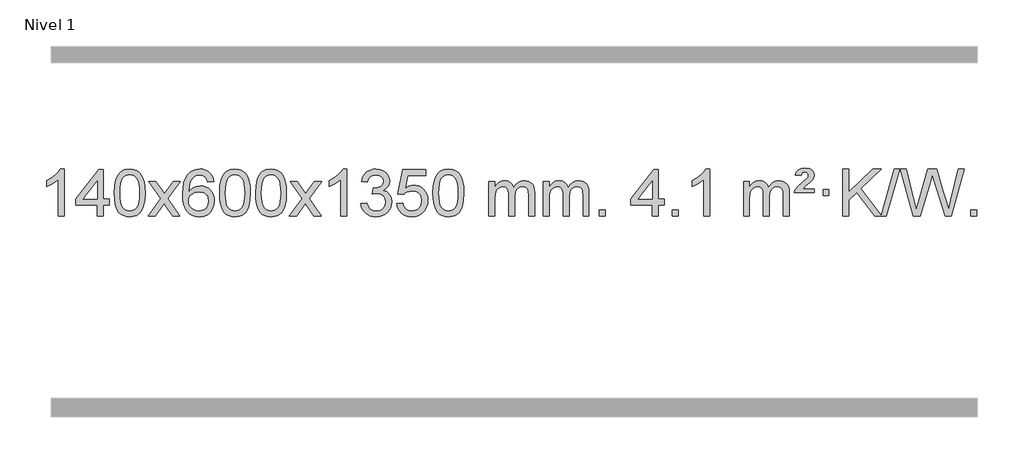
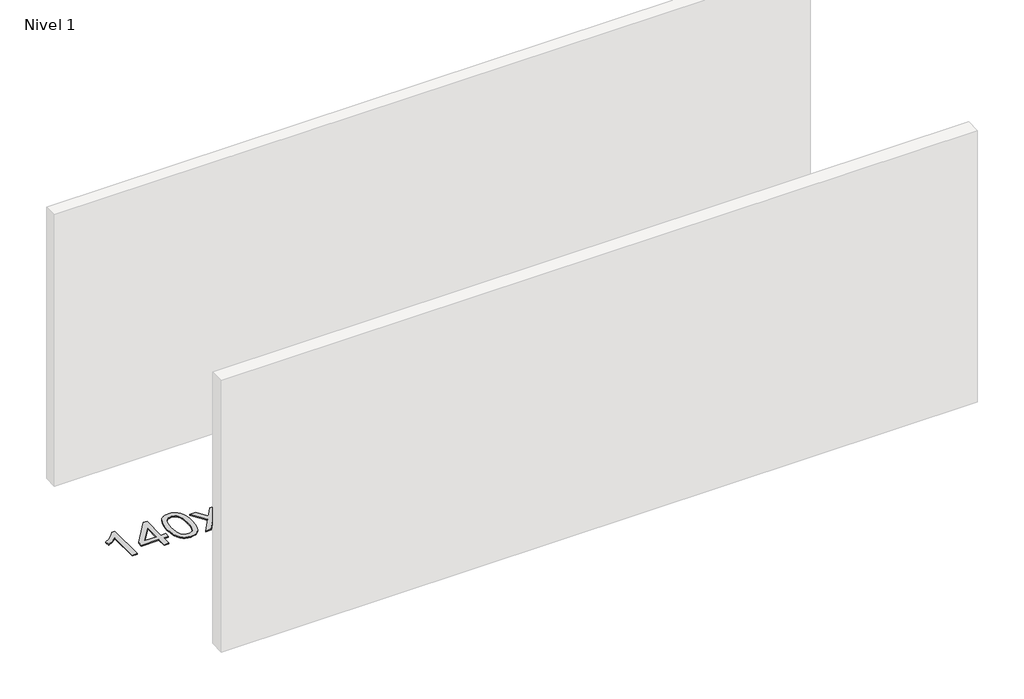
# One storey, part 4 of 10: 1 proxy.
"""IFC4 building model written with IfcOpenShell, lengths in millimetres."""

from ifc_helpers import new_model, si_unit, origin, origin_with_axes, place, context, project, spatial, polyline, outline, extrude, element, save

model = new_model("IFC4")

# Units and contexts
model_context = context("Model", 3, world=origin())
ifc_project = project(units=[si_unit("LENGTHUNIT", "METRE", prefix="MILLI")], contexts=[model_context])

# Site, building, storey
site = spatial("IfcSite", under=ifc_project)
building = spatial("IfcBuilding", under=site)
storey = spatial("IfcBuildingStorey", under=building, Name="Nivel 1", Elevation=0.0)

# Proxy
placement = place(None, origin())
element("IfcBuildingElementProxy", 1, Name="Texto de modelo 1", ObjectType="Texto de modelo 1", at=placement, inside=storey, context=model_context, shape_type="SweptSolid", body=[
    extrude(outline(polyline([(-6421.6378538, -15467.579453), (-6471.8660089, -15467.579453), (-6471.8660089, -15154.4382987), (-6492.8352826, -15171.3976587), (-6519.4454136, -15188.3324932), (-6572.3223191, -15213.6918254), (-6572.3223191, -15166.2105225), (-6532.8731065, -15144.7507395), (-6498.6968691, -15119.219729), (-6471.7556443, -15092.0700378), (-6454.0114694, -15065.7542124), (-6421.6378538, -15065.7542124), (-6421.6378538, -15467.579453)])), origin_with_axes(), (0.0, 0.0, 1.0), 10.0),
    extrude(outline(polyline([(-6139.1044816, -15467.579453), (-6139.1044816, -15373.4016622), (-6321.1815437, -15373.4016622), (-6321.1815437, -15323.1735072), (-6126.5474428, -15072.0327318), (-6088.8763265, -15072.0327318), (-6088.8763265, -15323.1735072), (-6038.6481714, -15323.1735072), (-6038.6481714, -15373.4016622), (-6088.8763265, -15373.4016622), (-6088.8763265, -15467.579453), (-6139.1044816, -15467.579453)]), holes=[polyline([(-6139.1044816, -15323.1735072), (-6139.1044816, -15167.9763561), (-6259.3773685, -15323.1735072), (-6139.1044816, -15323.1735072)])]), origin_with_axes(), (0.0, 0.0, 1.0), 10.0),
    extrude(outline(polyline([(-5994.6985357, -15269.9041943), (-5991.007453, -15205.5861588), (-5979.934205, -15154.2911459), (-5961.5891561, -15115.2343407), (-5949.7310932, -15100.0009605), (-5936.0826711, -15087.6309284), (-5920.5979048, -15078.0598651), (-5903.230809, -15071.2233914), (-5862.8496286, -15065.7542124), (-5831.8984901, -15068.991574), (-5804.1847131, -15078.7036586), (-5781.0081474, -15094.5103217), (-5763.6686427, -15116.0314184), (-5750.5720437, -15143.0830078), (-5740.1241951, -15175.4811488), (-5733.2815899, -15216.6226186), (-5731.0007216, -15269.9041943), (-5734.6550161, -15333.8543477), (-5745.6178995, -15385.0267333), (-5763.8525837, -15424.1203266), (-5775.6830556, -15439.3996922), (-5789.3222805, -15451.8341036), (-5804.825441, -15461.4695462), (-5822.2477191, -15468.3520052), (-5862.8496286, -15473.8579724), (-5890.5143547, -15471.4667394), (-5915.039821, -15464.2930405), (-5936.4260277, -15452.3368757), (-5954.6729746, -15435.5982449), (-5972.1841576, -15405.3399508), (-5984.6921454, -15367.6381776), (-5992.1969381, -15322.4929255), (-5994.6985357, -15269.9041943)]), holes=[polyline([(-5944.4703806, -15269.8060924), (-5942.9988527, -15313.4706195), (-5938.5842687, -15348.8148822), (-5931.2266288, -15375.8388804), (-5920.9259329, -15394.5426142), (-5908.466996, -15407.2682656), (-5894.634633, -15416.3580165), (-5879.4288439, -15421.8118671), (-5862.8496286, -15423.6298173), (-5846.2704134, -15421.8057357), (-5831.0646243, -15416.3334911), (-5817.2322612, -15407.2130833), (-5804.7733243, -15394.4445124), (-5794.4726285, -15375.7101217), (-5787.1149886, -15348.6922549), (-5782.7004046, -15313.3909118), (-5781.2288766, -15269.8060924), (-5782.6513537, -15227.2973278), (-5786.9187848, -15192.5753989), (-5794.0311701, -15165.6403055), (-5803.9885094, -15146.4920476), (-5816.2389799, -15133.1440625), (-5830.2307584, -15123.6097875), (-5845.9638451, -15117.8892225), (-5863.4382398, -15115.9823675), (-5879.931616, -15117.6623619), (-5894.8798877, -15122.7023452), (-5908.283055, -15131.1023175), (-5920.141118, -15142.8622786), (-5930.7851704, -15163.708925), (-5938.388065, -15191.8151094), (-5942.9498017, -15227.1808319), (-5944.4703806, -15269.8060924)])]), origin_with_axes(), (0.0, 0.0, 1.0), 10.0),
    extrude(outline(polyline([(-5705.886644, -15467.579453), (-5598.5632033, -15319.2494325), (-5699.6081246, -15172.4890419), (-5639.1773756, -15172.4890419), (-5590.4207485, -15243.122385), (-5567.6611157, -15276.4770192), (-5547.9426408, -15249.2047007), (-5492.416985, -15172.4890419), (-5431.9862359, -15172.4890419), (-5538.1324542, -15319.2494325), (-5435.9103105, -15467.579453), (-5496.3410596, -15467.579453), (-5557.8509292, -15378.4048574), (-5569.1326437, -15362.1199477), (-5645.455895, -15467.579453), (-5705.886644, -15467.579453)])), origin_with_axes(), (0.0, 0.0, 1.0), 10.0),
    extrude(outline(polyline([(-5147.0984188, -15172.4890419), (-5197.3265739, -15178.7675613), (-5205.4199778, -15153.874213), (-5216.3583358, -15136.8780648), (-5239.142494, -15121.2062918), (-5266.6845927, -15115.9823675), (-5290.0328367, -15119.0235253), (-5312.0076545, -15128.1469988), (-5330.8800009, -15147.3627017), (-5346.2942565, -15173.8134171), (-5356.7053169, -15211.227016), (-5360.5680779, -15263.3313693), (-5340.4204073, -15239.8237098), (-5316.2750857, -15223.2567573), (-5289.4810137, -15213.434308), (-5261.387092, -15210.1601582), (-5237.2540331, -15212.398107), (-5214.9849097, -15219.1119534), (-5194.5797217, -15230.3016975), (-5176.0384691, -15245.9673391), (-5160.6303449, -15265.1769106), (-5149.6245419, -15286.9984443), (-5143.02106, -15311.4319401), (-5140.8198994, -15338.4773982), (-5144.9647033, -15374.4439945), (-5157.3991147, -15407.786366), (-5177.0930642, -15436.0642287), (-5203.0164821, -15456.8372987), (-5233.9921461, -15469.602804), (-5268.8428338, -15473.8579724), (-5298.7853625, -15471.0375437), (-5325.8277548, -15462.5762579), (-5349.9700107, -15448.4741147), (-5371.2121303, -15428.7311143), (-5388.5301752, -15402.5133908), (-5400.9002073, -15368.9870783), (-5408.3222266, -15328.1521768), (-5410.796233, -15280.0086864), (-5408.0493807, -15226.0342663), (-5399.808824, -15179.9693092), (-5386.0745629, -15141.8138149), (-5366.8465973, -15111.5677835), (-5346.0060823, -15091.5243462), (-5321.8423665, -15077.2076052), (-5294.3554501, -15068.6175606), (-5263.545333, -15065.7542124), (-5240.4116869, -15067.5261773), (-5219.47307, -15072.8420722), (-5200.7294824, -15081.7018969), (-5184.1809239, -15094.1056515), (-5170.2749845, -15109.6364031), (-5159.4592539, -15127.8772186), (-5151.733732, -15148.8280983), (-5147.0984188, -15172.4890419)]), holes=[polyline([(-5360.5680779, -15337.6925832), (-5357.6618101, -15359.9494439), (-5348.9430068, -15381.2007605), (-5335.4049494, -15399.472233), (-5318.0409193, -15412.7895612), (-5297.0839083, -15420.9197533), (-5272.7669084, -15423.6298173), (-5239.6207406, -15418.0134855), (-5225.7056041, -15410.9930708), (-5213.5624326, -15401.1644901), (-5203.7123922, -15388.9262824), (-5196.676649, -15374.6769865), (-5191.0480545, -15340.1451299), (-5196.6030726, -15306.9989621), (-5203.5468453, -15293.3781312), (-5213.268127, -15281.725469), (-5225.4480867, -15272.3904634), (-5239.7678934, -15265.7226022), (-5274.8270476, -15260.3883133), (-5307.9241644, -15265.7226022), (-5335.6011532, -15281.725469), (-5346.5241827, -15293.2248471), (-5354.3263467, -15306.3858254), (-5359.0076451, -15321.2084042), (-5360.5680779, -15337.6925832)])]), origin_with_axes(), (0.0, 0.0, 1.0), 10.0),
    extrude(outline(polyline([(-5096.8702638, -15269.9041943), (-5093.1791811, -15205.5861588), (-5082.105933, -15154.2911459), (-5063.7608842, -15115.2343407), (-5051.9028212, -15100.0009605), (-5038.2543992, -15087.6309284), (-5022.7696329, -15078.0598651), (-5005.402537, -15071.2233914), (-4965.0213567, -15065.7542124), (-4934.0702182, -15068.991574), (-4906.3564412, -15078.7036586), (-4883.1798755, -15094.5103217), (-4865.8403708, -15116.0314184), (-4852.7437718, -15143.0830078), (-4842.2959231, -15175.4811488), (-4835.453318, -15216.6226186), (-4833.1724496, -15269.9041943), (-4836.8267441, -15333.8543477), (-4847.7896275, -15385.0267333), (-4866.0243118, -15424.1203266), (-4877.8547836, -15439.3996922), (-4891.4940086, -15451.8341036), (-4906.997169, -15461.4695462), (-4924.4194471, -15468.3520052), (-4965.0213567, -15473.8579724), (-4992.6860827, -15471.4667394), (-5017.2115491, -15464.2930405), (-5038.5977557, -15452.3368757), (-5056.8447027, -15435.5982449), (-5074.3558856, -15405.3399508), (-5086.8638735, -15367.6381776), (-5094.3686662, -15322.4929255), (-5096.8702638, -15269.9041943)]), holes=[polyline([(-5046.6421087, -15269.8060924), (-5045.1705807, -15313.4706195), (-5040.7559968, -15348.8148822), (-5033.3983568, -15375.8388804), (-5023.097661, -15394.5426142), (-5010.6387241, -15407.2682656), (-4996.8063611, -15416.3580165), (-4981.6005719, -15421.8118671), (-4965.0213567, -15423.6298173), (-4948.4421414, -15421.8057357), (-4933.2363523, -15416.3334911), (-4919.4039893, -15407.2130833), (-4906.9450524, -15394.4445124), (-4896.6443565, -15375.7101217), (-4889.2867166, -15348.6922549), (-4884.8721327, -15313.3909118), (-4883.4006047, -15269.8060924), (-4884.8230817, -15227.2973278), (-4889.0905129, -15192.5753989), (-4896.2028981, -15165.6403055), (-4906.1602375, -15146.4920476), (-4918.4107079, -15133.1440625), (-4932.4024864, -15123.6097875), (-4948.1355731, -15117.8892225), (-4965.6099679, -15115.9823675), (-4982.103344, -15117.6623619), (-4997.0516157, -15122.7023452), (-5010.4547831, -15131.1023175), (-5022.3128461, -15142.8622786), (-5032.9568985, -15163.708925), (-5040.559793, -15191.8151094), (-5045.1215298, -15227.1808319), (-5046.6421087, -15269.8060924)])]), origin_with_axes(), (0.0, 0.0, 1.0), 10.0),
    extrude(outline(polyline([(-4789.2228139, -15269.9041943), (-4785.5317312, -15205.5861588), (-4774.4584832, -15154.2911459), (-4756.1134344, -15115.2343407), (-4744.2553714, -15100.0009605), (-4730.6069494, -15087.6309284), (-4715.122183, -15078.0598651), (-4697.7550872, -15071.2233914), (-4657.3739068, -15065.7542124), (-4626.4227683, -15068.991574), (-4598.7089913, -15078.7036586), (-4575.5324257, -15094.5103217), (-4558.1929209, -15116.0314184), (-4545.0963219, -15143.0830078), (-4534.6484733, -15175.4811488), (-4527.8058681, -15216.6226186), (-4525.5249998, -15269.9041943), (-4529.1792943, -15333.8543477), (-4540.1421777, -15385.0267333), (-4558.3768619, -15424.1203266), (-4570.2073338, -15439.3996922), (-4583.8465587, -15451.8341036), (-4599.3497192, -15461.4695462), (-4616.7719973, -15468.3520052), (-4657.3739068, -15473.8579724), (-4685.0386329, -15471.4667394), (-4709.5640992, -15464.2930405), (-4730.9503059, -15452.3368757), (-4749.1972528, -15435.5982449), (-4766.7084358, -15405.3399508), (-4779.2164236, -15367.6381776), (-4786.7212164, -15322.4929255), (-4789.2228139, -15269.9041943)]), holes=[polyline([(-4738.9946588, -15269.8060924), (-4737.5231309, -15313.4706195), (-4733.1085469, -15348.8148822), (-4725.750907, -15375.8388804), (-4715.4502112, -15394.5426142), (-4702.9912742, -15407.2682656), (-4689.1589112, -15416.3580165), (-4673.9531221, -15421.8118671), (-4657.3739068, -15423.6298173), (-4640.7946916, -15421.8057357), (-4625.5889025, -15416.3334911), (-4611.7565394, -15407.2130833), (-4599.2976025, -15394.4445124), (-4588.9969067, -15375.7101217), (-4581.6392668, -15348.6922549), (-4577.2246828, -15313.3909118), (-4575.7531548, -15269.8060924), (-4577.1756319, -15227.2973278), (-4581.443063, -15192.5753989), (-4588.5554483, -15165.6403055), (-4598.5127876, -15146.4920476), (-4610.7632581, -15133.1440625), (-4624.7550366, -15123.6097875), (-4640.4881233, -15117.8892225), (-4657.962518, -15115.9823675), (-4674.4558942, -15117.6623619), (-4689.4041659, -15122.7023452), (-4702.8073333, -15131.1023175), (-4714.6653962, -15142.8622786), (-4725.3094486, -15163.708925), (-4732.9123432, -15191.8151094), (-4737.4740799, -15227.1808319), (-4738.9946588, -15269.8060924)])]), origin_with_axes(), (0.0, 0.0, 1.0), 10.0),
    extrude(outline(polyline([(-4500.4109222, -15467.579453), (-4393.0874815, -15319.2494325), (-4494.1324029, -15172.4890419), (-4433.7016538, -15172.4890419), (-4384.9450267, -15243.122385), (-4362.1853939, -15276.4770192), (-4342.466919, -15249.2047007), (-4286.9412632, -15172.4890419), (-4226.5105141, -15172.4890419), (-4332.6567324, -15319.2494325), (-4230.4345887, -15467.579453), (-4290.8653378, -15467.579453), (-4352.3752074, -15378.4048574), (-4363.6569219, -15362.1199477), (-4439.9801732, -15467.579453), (-4500.4109222, -15467.579453)])), origin_with_axes(), (0.0, 0.0, 1.0), 10.0),
    extrude(outline(polyline([(-4010.6864103, -15467.579453), (-4060.9145653, -15467.579453), (-4060.9145653, -15154.4382987), (-4081.8838391, -15171.3976587), (-4108.49397, -15188.3324932), (-4161.3708755, -15213.6918254), (-4161.3708755, -15166.2105225), (-4121.9216629, -15144.7507395), (-4087.7454255, -15119.219729), (-4060.8042007, -15092.0700378), (-4043.0600258, -15065.7542124), (-4010.6864103, -15065.7542124), (-4010.6864103, -15467.579453)])), origin_with_axes(), (0.0, 0.0, 1.0), 10.0),
    extrude(outline(polyline([(-3891.394542, -15360.8446235), (-3841.1663869, -15354.5661041), (-3829.9214606, -15386.1303793), (-3813.4526099, -15407.4430095), (-3790.9504945, -15419.5831154), (-3761.6057741, -15423.6298173), (-3727.1720193, -15418.0625364), (-3712.8981979, -15411.1034354), (-3700.5864138, -15401.3606939), (-3683.5902656, -15376.4428201), (-3677.9248829, -15346.2274455), (-3683.5412147, -15317.5449126), (-3700.3902101, -15294.2825078), (-3725.8966951, -15278.8682522), (-3757.4854957, -15273.730167), (-3792.7040654, -15279.2238715), (-3787.1122591, -15228.9957164), (-3779.0679061, -15229.5843276), (-3748.9751589, -15225.979084), (-3722.0707223, -15215.1633534), (-3710.9974743, -15206.9841103), (-3703.0880114, -15196.8673555), (-3698.3423336, -15184.8130888), (-3696.760441, -15170.8213102), (-3701.3467032, -15149.1285352), (-3715.1054899, -15131.5315131), (-3736.0992891, -15119.8696539), (-3762.390589, -15115.9823675), (-3788.7309398, -15119.9064421), (-3810.2642993, -15131.6786659), (-3825.9851232, -15151.299039), (-3834.8878675, -15178.7675613), (-3885.1160226, -15172.4890419), (-3879.1624656, -15148.5092672), (-3870.3271664, -15127.3867093), (-3858.6101248, -15109.1213683), (-3844.011341, -15093.713244), (-3826.9906673, -15081.4811677), (-3808.0079564, -15072.7439703), (-3787.0632081, -15067.5016519), (-3764.1564226, -15065.7542124), (-3732.5798846, -15069.2000404), (-3703.5785207, -15079.5375245), (-3679.1266307, -15095.8469596), (-3661.1985148, -15117.2086408), (-3650.1988432, -15141.8199463), (-3646.532286, -15167.8782543), (-3650.0149022, -15192.1584659), (-3660.4627509, -15214.1823347), (-3677.7286792, -15232.9443165), (-3701.6655343, -15247.4388671), (-3670.2238865, -15260.1430586), (-3646.9246934, -15281.77452), (-3632.5037192, -15311.1560286), (-3627.6967278, -15347.1103623), (-3630.1002235, -15372.5923218), (-3637.3107106, -15396.0631931), (-3649.3281891, -15417.5229762), (-3666.152659, -15436.971671), (-3686.6498175, -15453.1094278), (-3709.6853618, -15464.636397), (-3735.2592918, -15471.5525785), (-3763.3716076, -15473.8579724), (-3788.7799908, -15471.8898037), (-3811.932031, -15465.9852977), (-3832.8277283, -15456.1444543), (-3851.4670827, -15442.3672736), (-3867.0959362, -15425.4630959), (-3878.9601305, -15406.2412617), (-3887.0596658, -15384.7017708), (-3891.394542, -15360.8446235)])), origin_with_axes(), (0.0, 0.0, 1.0), 10.0),
    extrude(outline(polyline([(-3583.7470921, -15360.8446235), (-3533.518937, -15354.5661041), (-3524.2973617, -15384.7201649), (-3508.2086558, -15406.3148381), (-3485.3263957, -15419.3010725), (-3455.7241578, -15423.6298173), (-3436.5942941, -15422.1245668), (-3419.7207732, -15417.6088153), (-3405.1035953, -15410.0825628), (-3392.7427602, -15399.5458094), (-3382.9141796, -15386.519721), (-3375.8937648, -15371.5254641), (-3370.2774331, -15335.6324441), (-3375.5381456, -15301.8363514), (-3382.1140362, -15287.9181493), (-3391.3202832, -15275.9865099), (-3403.1875432, -15266.4154467), (-3417.7464732, -15259.5789729), (-3454.9393429, -15254.1097939), (-3479.3053937, -15256.2925604), (-3499.0361314, -15262.8408599), (-3514.7937435, -15272.8717757), (-3527.2404177, -15285.5023908), (-3577.4685727, -15279.2238715), (-3533.518937, -15072.0327318), (-3338.8848361, -15072.0327318), (-3338.8848361, -15122.2608869), (-3492.9047648, -15122.2608869), (-3514.3890733, -15232.919791), (-3496.6632925, -15220.2155994), (-3478.508316, -15211.1411769), (-3459.9241439, -15205.6965234), (-3440.9107761, -15203.8816388), (-3416.4496891, -15206.1318504), (-3393.9812963, -15212.882485), (-3373.5055976, -15224.1335427), (-3355.022593, -15239.8850234), (-3339.7217677, -15259.1743027), (-3328.7926067, -15281.038756), (-3322.2351102, -15305.4783832), (-3320.049278, -15332.4931844), (-3322.0174467, -15358.5147042), (-3327.9219527, -15382.7213394), (-3337.762796, -15405.1130902), (-3351.5399768, -15425.6899565), (-3372.4111486, -15446.7634634), (-3396.7649367, -15461.8159684), (-3424.601341, -15470.8474714), (-3455.9203615, -15473.8579724), (-3481.8407138, -15471.9235262), (-3505.2533371, -15466.1201877), (-3526.1582315, -15456.447957), (-3544.5553969, -15442.9068338), (-3559.8623536, -15426.1712688), (-3571.4966217, -15406.915712), (-3579.4582012, -15385.1401636), (-3583.7470921, -15360.8446235)])), origin_with_axes(), (0.0, 0.0, 1.0), 10.0),
    extrude(outline(polyline([(-3276.0996423, -15269.9041943), (-3272.4085596, -15205.5861588), (-3261.3353115, -15154.2911459), (-3242.9902627, -15115.2343407), (-3231.1321997, -15100.0009605), (-3217.4837777, -15087.6309284), (-3201.9990114, -15078.0598651), (-3184.6319156, -15071.2233914), (-3144.2507352, -15065.7542124), (-3113.2995967, -15068.991574), (-3085.5858197, -15078.7036586), (-3062.409254, -15094.5103217), (-3045.0697493, -15116.0314184), (-3031.9731503, -15143.0830078), (-3021.5253016, -15175.4811488), (-3014.6826965, -15216.6226186), (-3012.4018281, -15269.9041943), (-3016.0561226, -15333.8543477), (-3027.0190061, -15385.0267333), (-3045.2536903, -15424.1203266), (-3057.0841621, -15439.3996922), (-3070.7233871, -15451.8341036), (-3086.2265475, -15461.4695462), (-3103.6488257, -15468.3520052), (-3144.2507352, -15473.8579724), (-3171.9154613, -15471.4667394), (-3196.4409276, -15464.2930405), (-3217.8271343, -15452.3368757), (-3236.0740812, -15435.5982449), (-3253.5852642, -15405.3399508), (-3266.093252, -15367.6381776), (-3273.5980447, -15322.4929255), (-3276.0996423, -15269.9041943)]), holes=[polyline([(-3225.8714872, -15269.8060924), (-3224.3999592, -15313.4706195), (-3219.9853753, -15348.8148822), (-3212.6277354, -15375.8388804), (-3202.3270395, -15394.5426142), (-3189.8681026, -15407.2682656), (-3176.0357396, -15416.3580165), (-3160.8299505, -15421.8118671), (-3144.2507352, -15423.6298173), (-3127.67152, -15421.8057357), (-3112.4657308, -15416.3334911), (-3098.6333678, -15407.2130833), (-3086.1744309, -15394.4445124), (-3075.873735, -15375.7101217), (-3068.5160951, -15348.6922549), (-3064.1015112, -15313.3909118), (-3062.6299832, -15269.8060924), (-3064.0524603, -15227.2973278), (-3068.3198914, -15192.5753989), (-3075.4322767, -15165.6403055), (-3085.389616, -15146.4920476), (-3097.6400864, -15133.1440625), (-3111.631865, -15123.6097875), (-3127.3649516, -15117.8892225), (-3144.8393464, -15115.9823675), (-3161.3327225, -15117.6623619), (-3176.2809943, -15122.7023452), (-3189.6841616, -15131.1023175), (-3201.5422246, -15142.8622786), (-3212.186277, -15163.708925), (-3219.7891716, -15191.8151094), (-3224.3509083, -15227.1808319), (-3225.8714872, -15269.8060924)])]), origin_with_axes(), (0.0, 0.0, 1.0), 10.0),
    extrude(outline(polyline([(-2798.9321691, -15467.579453), (-2798.9321691, -15172.4890419), (-2748.704014, -15172.4890419), (-2748.704014, -15221.0494653), (-2733.5963267, -15198.7435537), (-2714.1721574, -15181.2691589), (-2691.0936936, -15169.9751816), (-2665.0231228, -15166.2105225), (-2637.0886167, -15170.048758), (-2614.6968659, -15181.5634645), (-2597.9704978, -15199.9943524), (-2587.0321399, -15224.5811324), (-2568.7238792, -15199.0439906), (-2547.8404446, -15180.803175), (-2524.3818361, -15169.8586857), (-2498.3480536, -15166.2105225), (-2478.2402368, -15167.7280358), (-2460.5910981, -15172.2805755), (-2445.4006374, -15179.8681416), (-2432.6688547, -15190.4907342), (-2422.6042164, -15204.2709806), (-2415.4151891, -15221.3315082), (-2411.1017727, -15241.6723168), (-2409.6639672, -15265.2934066), (-2409.6639672, -15467.579453), (-2459.8921223, -15467.579453), (-2459.8921223, -15286.875817), (-2461.057082, -15261.8230531), (-2464.5519609, -15244.9372695), (-2471.1002604, -15233.3735121), (-2481.4254818, -15224.2868268), (-2494.7060218, -15218.4007149), (-2510.1202774, -15216.4386776), (-2537.3312823, -15221.4663982), (-2559.5145666, -15236.54956), (-2568.1199396, -15248.1194488), (-2574.2666346, -15262.7182326), (-2579.1839906, -15301.0024856), (-2579.1839906, -15467.579453), (-2629.4121457, -15467.579453), (-2629.4121457, -15281.2840106), (-2632.3184135, -15252.8835206), (-2641.0372167, -15232.6254854), (-2656.3778959, -15220.4853796), (-2679.1497914, -15216.4386776), (-2698.5003844, -15219.1364789), (-2716.3303984, -15227.2298828), (-2731.0456782, -15240.5226856), (-2741.0520685, -15258.8186835), (-2746.7910276, -15284.2025411), (-2748.704014, -15318.7589232), (-2748.704014, -15467.579453), (-2798.9321691, -15467.579453)])), origin_with_axes(), (0.0, 0.0, 1.0), 10.0),
    extrude(outline(polyline([(-2334.3217346, -15467.579453), (-2334.3217346, -15172.4890419), (-2284.0935796, -15172.4890419), (-2284.0935796, -15221.0494653), (-2268.9858923, -15198.7435537), (-2249.5617229, -15181.2691589), (-2226.4832591, -15169.9751816), (-2200.4126884, -15166.2105225), (-2172.4781822, -15170.048758), (-2150.0864315, -15181.5634645), (-2133.3600634, -15199.9943524), (-2122.4217054, -15224.5811324), (-2104.1134448, -15199.0439906), (-2083.2300102, -15180.803175), (-2059.7714016, -15169.8586857), (-2033.7376191, -15166.2105225), (-2013.6298024, -15167.7280358), (-1995.9806637, -15172.2805755), (-1980.790203, -15179.8681416), (-1968.0584202, -15190.4907342), (-1957.993782, -15204.2709806), (-1950.8047547, -15221.3315082), (-1946.4913383, -15241.6723168), (-1945.0535328, -15265.2934066), (-1945.0535328, -15467.579453), (-1995.2816879, -15467.579453), (-1995.2816879, -15286.875817), (-1996.4466475, -15261.8230531), (-1999.9415265, -15244.9372695), (-2006.489826, -15233.3735121), (-2016.8150473, -15224.2868268), (-2030.0955874, -15218.4007149), (-2045.509843, -15216.4386776), (-2072.7208479, -15221.4663982), (-2094.9041322, -15236.54956), (-2103.5095052, -15248.1194488), (-2109.6562002, -15262.7182326), (-2114.5735562, -15301.0024856), (-2114.5735562, -15467.579453), (-2164.8017113, -15467.579453), (-2164.8017113, -15281.2840106), (-2167.707979, -15252.8835206), (-2176.4267823, -15232.6254854), (-2191.7674615, -15220.4853796), (-2214.539357, -15216.4386776), (-2233.88995, -15219.1364789), (-2251.719964, -15227.2298828), (-2266.4352438, -15240.5226856), (-2276.4416341, -15258.8186835), (-2282.1805932, -15284.2025411), (-2284.0935796, -15318.7589232), (-2284.0935796, -15467.579453), (-2334.3217346, -15467.579453)])), origin_with_axes(), (0.0, 0.0, 1.0), 10.0),
    extrude(outline(polyline([(-1857.1542614, -15467.579453), (-1857.1542614, -15417.3512979), (-1806.9261064, -15417.3512979), (-1806.9261064, -15467.579453), (-1857.1542614, -15467.579453)])), origin_with_axes(), (0.0, 0.0, 1.0), 10.0),
    extrude(outline(polyline([(-1405.1008658, -15467.579453), (-1405.1008658, -15373.4016622), (-1587.1779279, -15373.4016622), (-1587.1779279, -15323.1735072), (-1392.543827, -15072.0327318), (-1354.8727107, -15072.0327318), (-1354.8727107, -15323.1735072), (-1304.6445556, -15323.1735072), (-1304.6445556, -15373.4016622), (-1354.8727107, -15373.4016622), (-1354.8727107, -15467.579453), (-1405.1008658, -15467.579453)]), holes=[polyline([(-1405.1008658, -15323.1735072), (-1405.1008658, -15167.9763561), (-1525.3737527, -15323.1735072), (-1405.1008658, -15323.1735072)])]), origin_with_axes(), (0.0, 0.0, 1.0), 10.0),
    extrude(outline(polyline([(-1235.5808424, -15467.579453), (-1235.5808424, -15417.3512979), (-1185.3526873, -15417.3512979), (-1185.3526873, -15467.579453), (-1235.5808424, -15467.579453)])), origin_with_axes(), (0.0, 0.0, 1.0), 10.0),
    extrude(outline(polyline([(-915.3763538, -15467.579453), (-965.6045088, -15467.579453), (-965.6045088, -15154.4382987), (-986.5737826, -15171.3976587), (-1013.1839136, -15188.3324932), (-1066.060819, -15213.6918254), (-1066.060819, -15166.2105225), (-1026.6116064, -15144.7507395), (-992.435369, -15119.219729), (-965.4941442, -15092.0700378), (-947.7499693, -15065.7542124), (-915.3763538, -15065.7542124), (-915.3763538, -15467.579453)])), origin_with_axes(), (0.0, 0.0, 1.0), 10.0),
    extrude(outline(polyline([(-626.5644621, -15467.579453), (-626.5644621, -15172.4890419), (-576.336307, -15172.4890419), (-576.336307, -15221.0494653), (-561.2286197, -15198.7435537), (-541.8044504, -15181.2691589), (-518.7259866, -15169.9751816), (-492.6554158, -15166.2105225), (-464.7209097, -15170.048758), (-442.3291589, -15181.5634645), (-425.6027909, -15199.9943524), (-414.6644329, -15224.5811324), (-396.3561722, -15199.0439906), (-375.4727377, -15180.803175), (-352.0141291, -15169.8586857), (-325.9803466, -15166.2105225), (-305.8725298, -15167.7280358), (-288.2233911, -15172.2805755), (-273.0329304, -15179.8681416), (-260.3011477, -15190.4907342), (-250.2365094, -15204.2709806), (-243.0474821, -15221.3315082), (-238.7340657, -15241.6723168), (-237.2962603, -15265.2934066), (-237.2962603, -15467.579453), (-287.5244153, -15467.579453), (-287.5244153, -15286.875817), (-288.689375, -15261.8230531), (-292.1842539, -15244.9372695), (-298.7325535, -15233.3735121), (-309.0577748, -15224.2868268), (-322.3383148, -15218.4007149), (-337.7525704, -15216.4386776), (-364.9635753, -15221.4663982), (-387.1468596, -15236.54956), (-395.7522326, -15248.1194488), (-401.8989276, -15262.7182326), (-406.8162836, -15301.0024856), (-406.8162836, -15467.579453), (-457.0444387, -15467.579453), (-457.0444387, -15281.2840106), (-459.9507065, -15252.8835206), (-468.6695098, -15232.6254854), (-484.010189, -15220.4853796), (-506.7820845, -15216.4386776), (-526.1326774, -15219.1364789), (-543.9626914, -15227.2298828), (-558.6779713, -15240.5226856), (-568.6843615, -15258.8186835), (-574.4233206, -15284.2025411), (-576.336307, -15318.7589232), (-576.336307, -15467.579453), (-626.5644621, -15467.579453)])), origin_with_axes(), (0.0, 0.0, 1.0), 10.0),
    extrude(outline(polyline([(-193.3466246, -15266.6668327), (-189.5206518, -15250.8479069), (-181.1819933, -15234.9799302), (-159.6731593, -15209.8413272), (-127.7164766, -15182.1030247), (-83.5706372, -15144.726214), (-76.4337265, -15133.1992448), (-74.0547563, -15121.3779701), (-75.9432172, -15109.2869152), (-81.6085999, -15099.5012541), (-90.977328, -15093.026531), (-103.9758252, -15090.8682899), (-116.4102366, -15092.4869707), (-125.26393, -15097.343013), (-131.6896022, -15106.8098431), (-136.8399501, -15122.2608869), (-187.0681052, -15115.9823675), (-176.2278491, -15090.7701881), (-159.5995829, -15073.2099542), (-135.834406, -15062.9092583), (-103.5834178, -15059.475693), (-67.8007624, -15063.6082341), (-43.0545668, -15076.0058573), (-28.6335926, -15094.3386434), (-23.8266012, -15116.2766731), (-27.9223541, -15139.1834586), (-40.2096127, -15160.8149199), (-60.737428, -15180.6314968), (-97.2067965, -15208.6886303), (-122.8113834, -15235.2742358), (-23.8266012, -15235.2742358), (-23.8266012, -15266.6668327), (-193.3466246, -15266.6668327)])), origin_with_axes(), (0.0, 0.0, 1.0), 10.0),
    extrude(outline(polyline([(51.5156314, -15291.7809102), (51.5156314, -15241.5527552), (101.7437865, -15241.5527552), (101.7437865, -15291.7809102), (51.5156314, -15291.7809102)])), origin_with_axes(), (0.0, 0.0, 1.0), 10.0),
    extrude(outline(polyline([(492.3854144, -15467.579453), (338.954097, -15264.9009991), (271.2638099, -15329.4520265), (271.2638099, -15467.579453), (221.0356548, -15467.579453), (221.0356548, -15065.7542124), (271.2638099, -15065.7542124), (271.2638099, -15262.4484525), (477.2777272, -15065.7542124), (547.5186628, -15065.7542124), (374.5650741, -15230.9577537), (549.218684, -15461.5349332), (660.5320117, -15065.7542124), (705.8550735, -15065.7542124), (592.8417246, -15467.579453), (553.7971822, -15467.579453), (547.5186628, -15467.579453), (492.3854144, -15467.579453)])), origin_with_axes(), (0.0, 0.0, 1.0), 10.0),
    extrude(outline(polyline([(820.3399504, -15467.579453), (710.7601668, -15065.7542124), (762.5579517, -15065.7542124), (826.1279605, -15329.844434), (845.7483335, -15411.3670841), (866.7421327, -15339.2622131), (946.4008474, -15065.7542124), (1021.056367, -15065.7542124), (1078.9364675, -15264.0180823), (1103.731714, -15337.5944814), (1122.0031864, -15411.3670841), (1141.0349483, -15332.1988788), (1205.1935683, -15065.7542124), (1256.9913532, -15065.7542124), (1147.3134677, -15467.579453), (1093.6517474, -15467.579453), (997.3157155, -15157.5775584), (983.87576, -15114.3146358), (968.7680727, -15166.4067263), (880.9669032, -15467.579453), (820.3399504, -15467.579453)])), origin_with_axes(), (0.0, 0.0, 1.0), 10.0),
    extrude(outline(polyline([(1313.4980277, -15467.579453), (1313.4980277, -15417.3512979), (1363.7261827, -15417.3512979), (1363.7261827, -15467.579453), (1313.4980277, -15467.579453)])), origin_with_axes(), (0.0, 0.0, 1.0), 10.0),
])

save(model, "model.ifc")
